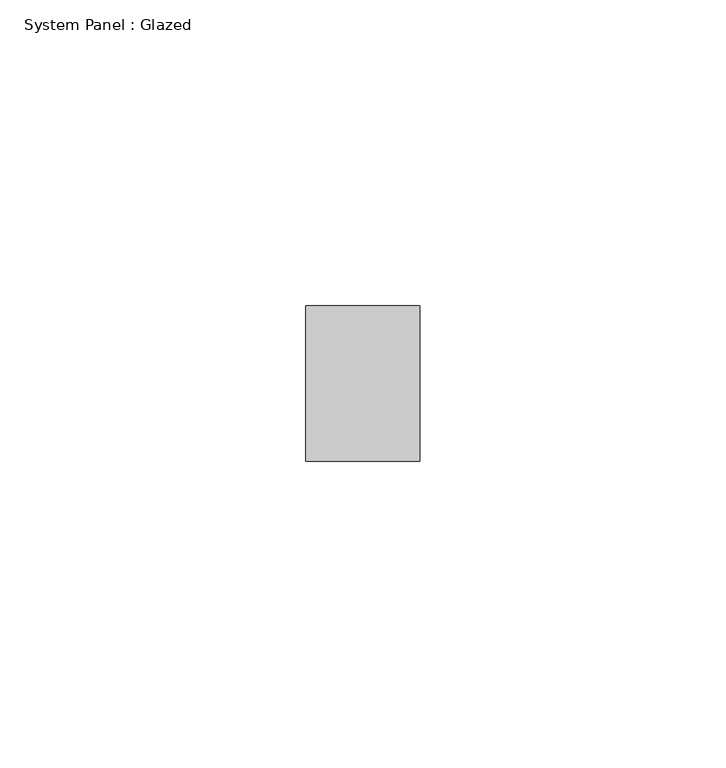
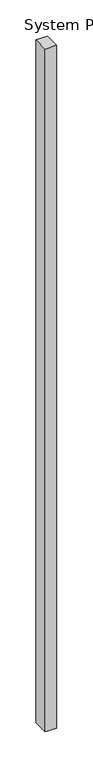
"""IFC4 building model written with IfcOpenShell, lengths in millimetres: plate geometry, System Panel : Glazed."""

from ifc_helpers import new_model, si_unit, origin, origin_with_axes, place, context, project, spatial, polyline, outline, extrude, source, transform, mapped, element, save


def system_panel_glazed_ea60580a(model_context):
    return source(origin(), model_context, "Body", "SweptSolid", [
        extrude(outline(polyline([(9.3282831, -12.7), (-9.3282831, -12.7), (-9.3282831, 12.7), (9.3282831, 12.7), (9.3282831, -12.7)])), origin_with_axes(), (0.0, 0.0, 1.0), 1154.90625),
    ])


if __name__ == "__main__":
    model = new_model("IFC4")
    model_context = context("Model", 3, world=origin())
    ifc_project = project(units=[si_unit("LENGTHUNIT", "METRE", prefix="MILLI")], contexts=[model_context])
    site = spatial("IfcSite", under=ifc_project)
    building = spatial("IfcBuilding", under=site)
    placement = place(None, origin())
    system_panel_glazed_shape = system_panel_glazed_ea60580a(model_context)
    element("IfcPlate", 1, ObjectType="System Panel : Glazed", at=placement, inside=building, context=model_context, shape_type="MappedRepresentation", body=[
        mapped(system_panel_glazed_shape, transform((0.0, 0.0, 0.0), x_axis=(1.0, 0.0, 0.0), y_axis=(0.0, 1.0, 0.0), z_axis=(0.0, 0.0, 1.0))),
    ])
    save(model, "model.ifc")
